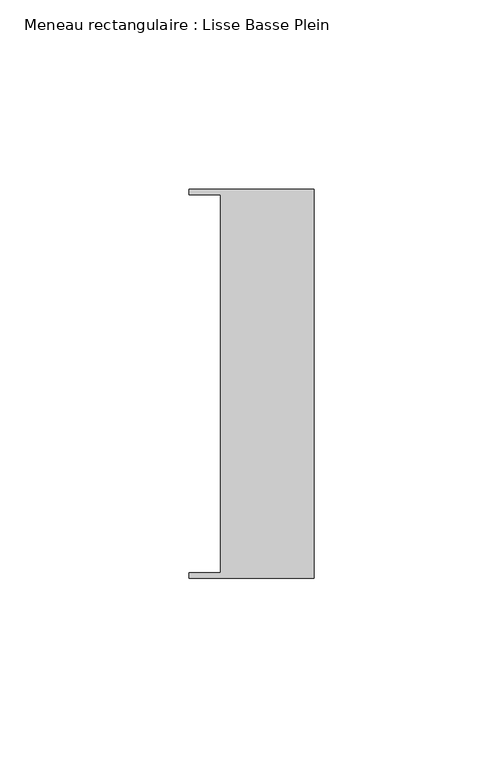
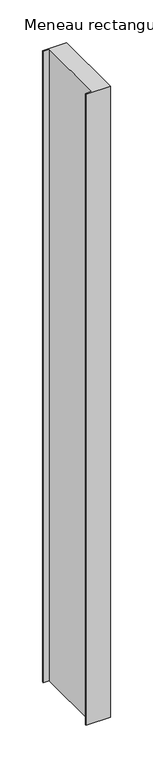
"""IFC4 building model written with IfcOpenShell, lengths in millimetres: member geometry, Meneau rectangulaire : Lisse Basse Plein."""

from ifc_helpers import new_model, si_unit, frame, origin, place, context, project, spatial, polyline, outline, extrude, source, transform, mapped, element, save


def meneau_rectangulaire_lisse_basse_plein_a4349783(model_context):
    return source(origin(), model_context, "Body", "SweptSolid", [
        extrude(outline(polyline([(0.0, -51.5026203), (-33.0710396, -51.5026203), (-33.0710396, -49.9505686), (-24.7130865, -49.9505686), (-24.7130865, 49.9505686), (-33.0710396, 49.9505686), (-33.0710396, 51.5026203), (0.0, 51.5026203), (0.0, -51.5026203)])), frame((0.0, 0.0, -905.3555092), z_axis=(0.0, 0.0, 1.0), x_axis=(1.0, 0.0, 0.0)), (0.0, 0.0, 1.0), 905.3555092),
    ])


if __name__ == "__main__":
    model = new_model("IFC4")
    model_context = context("Model", 3, world=origin())
    ifc_project = project(units=[si_unit("LENGTHUNIT", "METRE", prefix="MILLI")], contexts=[model_context])
    site = spatial("IfcSite", under=ifc_project)
    building = spatial("IfcBuilding", under=site)
    placement = place(None, origin())
    meneau_rectangulaire_lisse_basse_plein_shape = meneau_rectangulaire_lisse_basse_plein_a4349783(model_context)
    element("IfcMember", 1, ObjectType="Meneau rectangulaire : Lisse Basse Plein", at=placement, inside=building, context=model_context, shape_type="MappedRepresentation", body=[
        mapped(meneau_rectangulaire_lisse_basse_plein_shape, transform((0.0, 0.0, 0.0), x_axis=(1.0, 0.0, 0.0), y_axis=(0.0, 1.0, 0.0), z_axis=(0.0, 0.0, 1.0))),
    ])
    save(model, "model.ifc")
